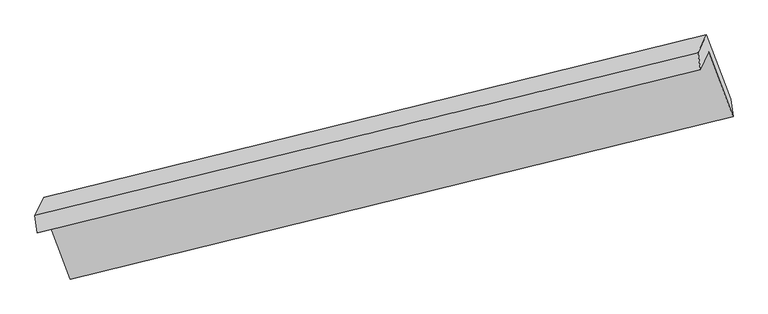
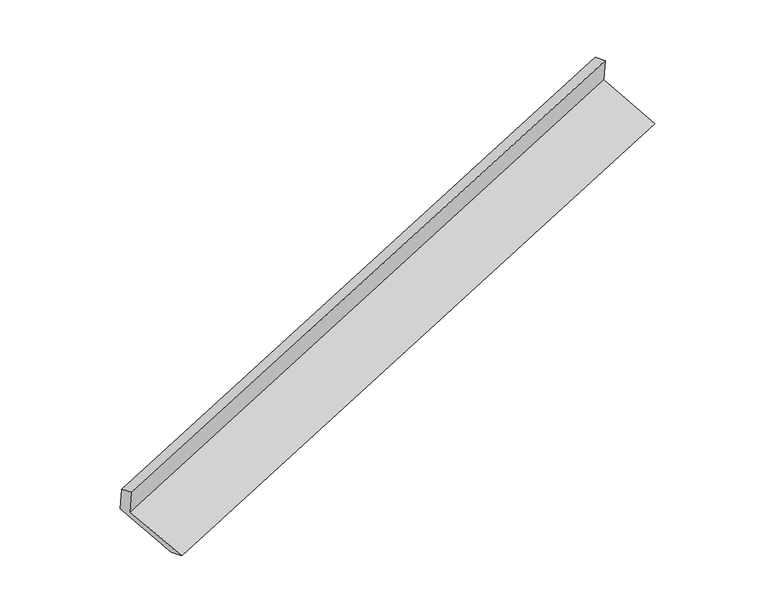
"""IFC4 building model written with IfcOpenShell, lengths in millimetres: proxy geometry."""

import ifcopenshell
import ifcopenshell.guid

model = None  # the IFC model being written
_history = None  # IfcOwnerHistory: only IFC2X3 demands one
_inside = {}  # id of a spatial element -> (the spatial element, [elements in it])
_under = {}  # id of a project, library or spatial element -> (it, [spatial elements below it])
_declared = {}  # id of a project -> (the project, [libraries it declares])
_typed = {}  # id of a type object -> (the type object, [elements of that type])
_made_of = {}  # id of a material, layer set ... -> (it, [elements and type objects made of it])


def new_model(schema):
    """Start an empty IFC model of exactly this schema.

    Asked for "IFC4X3", IfcOpenShell would pick the latest addendum, in which some entities
    have other attributes; the version numbers below select the first issue.
    IFC2X3 requires an IfcOwnerHistory on every rooted entity: one is made here for all.
    """
    global model, _history
    if schema == "IFC4X3":
        model = ifcopenshell.file(schema_version=(4, 3, 0, 0))
    else:
        model = ifcopenshell.file(schema=schema)
    _inside.clear()
    _under.clear()
    _declared.clear()
    _typed.clear()
    _made_of.clear()
    _history = None
    if model.schema == "IFC2X3":
        org = make("IfcOrganization", Name="unknown")
        user = make(
            "IfcPersonAndOrganization",
            ThePerson=make("IfcPerson", FamilyName="unknown"),
            TheOrganization=org,
        )
        app = make(
            "IfcApplication",
            ApplicationDeveloper=org,
            Version="unknown",
            ApplicationFullName="unknown",
            ApplicationIdentifier="unknown",
        )
        _history = make(
            "IfcOwnerHistory",
            OwningUser=user,
            OwningApplication=app,
            ChangeAction="ADDED",
            CreationDate=0,
        )
    return model


def make(cls, **values):
    """One entity of the class cls with the attributes given. An attribute that is None is left unset."""
    return model.create_entity(
        cls, **{name: value for name, value in values.items() if value is not None}
    )


def rooted(cls, **values):
    """An entity with a GlobalId (a new one), such as an element, a storey or a relation."""
    return make(cls, GlobalId=ifcopenshell.guid.new(), OwnerHistory=_history, **values)


def si_unit(unit_type, name, prefix=None):
    """IfcSIUnit, for example si_unit("LENGTHUNIT", "METRE", prefix="MILLI")."""
    return make("IfcSIUnit", UnitType=unit_type, Prefix=prefix, Name=name)


def assignment(units):
    """IfcUnitAssignment: the units of a project."""
    return None if units is None else make("IfcUnitAssignment", Units=units)


def point(xyz):
    """IfcCartesianPoint."""
    return None if xyz is None else make("IfcCartesianPoint", Coordinates=xyz)


def direction(xyz):
    """IfcDirection."""
    return None if xyz is None else make("IfcDirection", DirectionRatios=xyz)


def frame(location, z_axis=None, x_axis=None):
    """IfcAxis2Placement3D, a coordinate frame: its origin and axes. An axis left out is left unset."""
    return make(
        "IfcAxis2Placement3D",
        Location=point(location),
        Axis=direction(z_axis),
        RefDirection=direction(x_axis),
    )


def origin():
    """The frame at (0, 0, 0) with its axes left unset."""
    return frame((0.0, 0.0, 0.0))


def place(relative_to, where):
    """IfcLocalPlacement: puts the frame where relative to a parent placement (None: the world)."""
    return make(
        "IfcLocalPlacement", PlacementRelTo=relative_to, RelativePlacement=where
    )


def context(
    kind, dimensions, precision=None, world=None, true_north=None, identifier=None
):
    """IfcGeometricRepresentationContext, for example the 3D "Model" context."""
    return make(
        "IfcGeometricRepresentationContext",
        ContextIdentifier=identifier,
        ContextType=kind,
        CoordinateSpaceDimension=dimensions,
        Precision=precision,
        WorldCoordinateSystem=world,
        TrueNorth=true_north,
    )


def project(units=None, contexts=None):
    """IfcProject with its units and contexts."""
    return rooted(
        "IfcProject",
        Name="project",
        RepresentationContexts=contexts,
        UnitsInContext=assignment(units),
    )


def spatial(cls, under=None, at=None, **own):
    """A site, building, storey or space (cls), placed at a placement, below another one or the project."""
    s = rooted(cls, ObjectPlacement=at, **own)
    if under is not None:
        _under.setdefault(under.id(), (under, []))[1].append(s)
    return s


def faces_of(points, faces, orient=None, outer=None):
    """IfcFace entities. A face is a list of loops; a loop is a list of indices into points, from 0.

    orient and outer hold one flag for each loop. By default every Orientation is true, the
    first loop of a face is its IfcFaceOuterBound and the others are IfcFaceBound.
    """
    made = []
    for i, loops in enumerate(faces):
        bounds = []
        for j, loop in enumerate(loops):
            is_outer = j == 0 if outer is None else outer[i][j]
            bounds.append(
                make(
                    "IfcFaceOuterBound" if is_outer else "IfcFaceBound",
                    Bound=make("IfcPolyLoop", Polygon=[points[k] for k in loop]),
                    Orientation=True if orient is None else orient[i][j],
                )
            )
        made.append(make("IfcFace", Bounds=bounds))
    return made


def faceted_brep(points, faces, orient=None, outer=None, voids=None):
    """IfcFacetedBrep: a solid bounded by flat faces; with voids (closed shells), ...WithVoids."""
    shared = [point(p) for p in points]
    hull = make("IfcClosedShell", CfsFaces=faces_of(shared, faces, orient, outer))
    if voids is None:
        return make("IfcFacetedBrep", Outer=hull)
    return make(
        "IfcFacetedBrepWithVoids",
        Outer=hull,
        Voids=[
            make(cls, CfsFaces=faces_of(shared, fs, o, b)) for cls, fs, o, b in voids
        ],
    )


def shape(context_of_items, identifier, shape_type, items):
    """IfcShapeRepresentation: the items that make up one representation, for example the "Body"."""
    return make(
        "IfcShapeRepresentation",
        ContextOfItems=context_of_items,
        RepresentationIdentifier=identifier,
        RepresentationType=shape_type,
        Items=items,
    )


def source(mapping_origin, context_of_items, identifier, shape_type, items):
    """IfcRepresentationMap: a shape defined once, which mapped items show again and again."""
    return make(
        "IfcRepresentationMap",
        MappingOrigin=mapping_origin,
        MappedRepresentation=shape(context_of_items, identifier, shape_type, items),
    )


def transform(
    local_origin,
    x_axis=None,
    y_axis=None,
    z_axis=None,
    scale=None,
    scale2=None,
    scale3=None,
    uniform=True,
):
    """IfcCartesianTransformationOperator3D, or its non-uniform kind. x_axis, y_axis, z_axis: its Axis1, 2, 3."""
    if uniform:
        return make(
            "IfcCartesianTransformationOperator3D",
            Axis1=direction(x_axis),
            Axis2=direction(y_axis),
            LocalOrigin=point(local_origin),
            Scale=scale,
            Axis3=direction(z_axis),
        )
    return make(
        "IfcCartesianTransformationOperator3DnonUniform",
        Axis1=direction(x_axis),
        Axis2=direction(y_axis),
        LocalOrigin=point(local_origin),
        Scale=scale,
        Axis3=direction(z_axis),
        Scale2=scale2,
        Scale3=scale3,
    )


def mapped(mapping_source, mapping_target):
    """IfcMappedItem: shows the shape of a source again, moved by a transform."""
    return make(
        "IfcMappedItem", MappingSource=mapping_source, MappingTarget=mapping_target
    )


def made_of(thing, what):
    """Note that an element or type object is made of a material, layer set ...; save() writes the relation."""
    if what is not None:
        _made_of.setdefault(what.id(), (what, []))[1].append(thing)
    return thing


def element(
    cls,
    number,
    at=None,
    inside=None,
    cuts=None,
    type_object=None,
    material=None,
    context=None,
    identifier="Body",
    shape_type=None,
    held_by="IfcProductDefinitionShape",
    body=None,
    shapes=None,
    **own,
):
    """One element of the class cls, such as IfcWall. Its Tag is "e" and its number.

    at: its placement. inside: the storey or other place that contains it. cuts: it is an
    opening in that element (IfcRelVoidsElement). A single representation is given by context,
    identifier, shape_type and body (its items); several are given by shapes. held_by: the class
    of the entity that holds the representations. save() writes the other relations.
    """
    e = rooted(cls, Tag="e%d" % number, ObjectPlacement=at, **own)
    if body is not None:
        shapes = [shape(context, identifier, shape_type, body)]
    if shapes is not None:
        e.Representation = make(held_by, Representations=shapes)
    if inside is not None:
        _inside.setdefault(inside.id(), (inside, []))[1].append(e)
    if cuts is not None:
        rooted(
            "IfcRelVoidsElement", RelatingBuildingElement=cuts, RelatedOpeningElement=e
        )
    if type_object is not None:
        _typed.setdefault(type_object.id(), (type_object, []))[1].append(e)
    return made_of(e, material)


def aggregate(whole, parts):
    """IfcRelAggregates: a whole, such as a stair, and the parts it consists of."""
    return rooted("IfcRelAggregates", RelatingObject=whole, RelatedObjects=parts)


def save(model, path):
    """Write the relations noted so far, then the file.

    IfcRelAggregates (storeys below a building ...), IfcRelContainedInSpatialStructure (elements
    in a storey), IfcRelDefinesByType, IfcRelAssociatesMaterial and IfcRelDeclares: one each for
    every whole, place, type object, material and project.
    """
    for whole, parts in _under.values():
        aggregate(whole, parts)
    for where, things in _inside.values():
        rooted(
            "IfcRelContainedInSpatialStructure",
            RelatedElements=things,
            RelatingStructure=where,
        )
    for kind, things in _typed.values():
        rooted("IfcRelDefinesByType", RelatedObjects=things, RelatingType=kind)
    for what, things in _made_of.values():
        rooted("IfcRelAssociatesMaterial", RelatedObjects=things, RelatingMaterial=what)
    for by, libraries in _declared.values():
        rooted("IfcRelDeclares", RelatingContext=by, RelatedDefinitions=libraries)
    model.write(path)


def generic_models_ec6c1348(model_context):
    return source(origin(), model_context, "Body", "Brep", [
        faceted_brep([(-5962.6198972, -2233.1325862, 1277.0639953), (-5884.4302817, -2067.6097701, 924.9838216), (90.103465, -601.3014979, 2896.0714673), (13.8842186, -762.6531584, 3239.2792622), (-5983.5350251, -2077.8151716, 1226.7340112), (-7.0309093, -607.3357439, 3188.949278), (-5906.0144557, -1913.7086869, 877.6664864), (68.519291, -447.4004146, 2848.7541322), (-5689.0910902, -2493.6061751, 653.2144536), (285.4426564, -1027.2979028, 2624.3020994), (-5665.9964404, -2651.5451875, 698.9688894), (308.5373063, -1185.2369153, 2670.0565351)], [[[0, 1, 2, 3]], [[4, 0, 3, 5]], [[6, 4, 5, 7]], [[8, 6, 7, 9]], [[10, 8, 9, 11]], [[1, 10, 11, 2]], [[9, 7, 5, 3, 2, 11]], [[1, 0, 4, 6, 8, 10]]]),
    ])


if __name__ == "__main__":
    model = new_model("IFC4")
    model_context = context("Model", 3, world=origin())
    ifc_project = project(units=[si_unit("LENGTHUNIT", "METRE", prefix="MILLI")], contexts=[model_context])
    site = spatial("IfcSite", under=ifc_project)
    building = spatial("IfcBuilding", under=site)
    placement = place(None, origin())
    generic_models_shape = generic_models_ec6c1348(model_context)
    element("IfcBuildingElementProxy", 1, Name="Generic Models", at=placement, inside=building, context=model_context, shape_type="MappedRepresentation", body=[
        mapped(generic_models_shape, transform((0.0, 0.0, 0.0), x_axis=(1.0, 0.0, 0.0), y_axis=(0.0, 1.0, 0.0), z_axis=(0.0, 0.0, 1.0))),
    ])
    save(model, "model.ifc")
